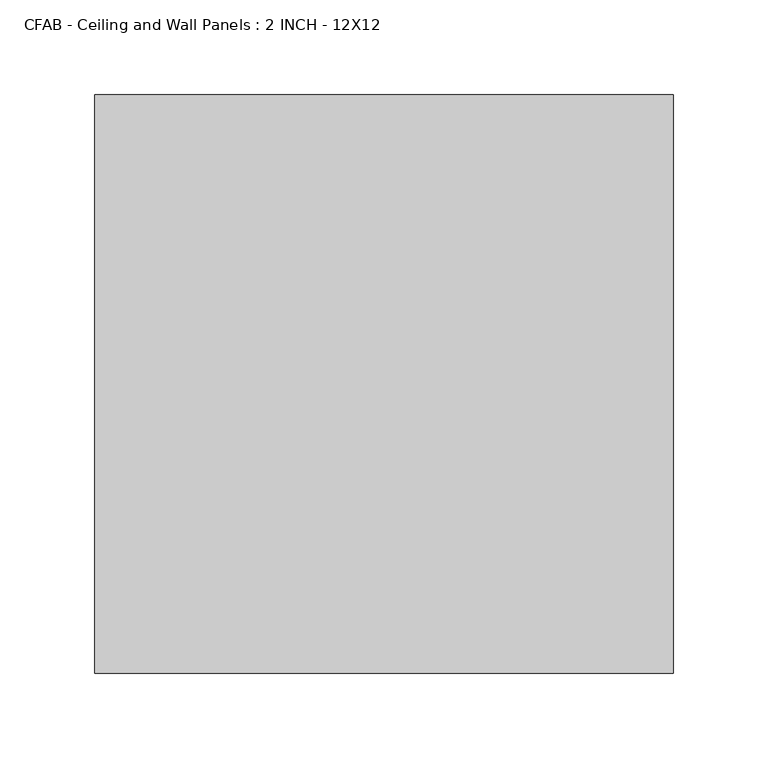
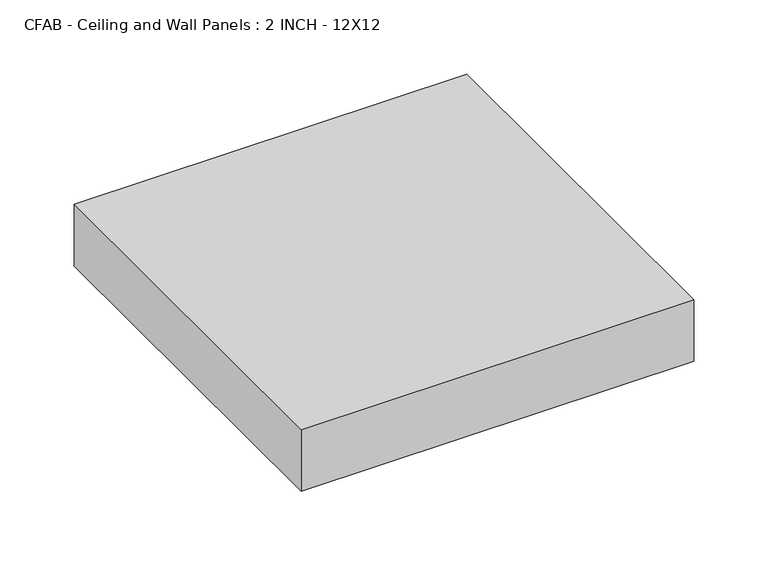
"""IFC4 building model written with IfcOpenShell, lengths in millimetres: proxy geometry, CFAB - Ceiling and Wall Panels : 2 INCH - 12X12."""

from ifc_helpers import new_model, si_unit, origin, origin_with_axes, place, context, project, spatial, polyline, outline, extrude, source, transform, mapped, element, save


def cfab_ceiling_and_wall_panels_2_inch_12x12_db413df7(model_context):
    return source(origin(), model_context, "Body", "SweptSolid", [
        extrude(outline(polyline([(-152.4, 152.4), (152.4, 152.4), (152.4, -152.4), (-152.4, -152.4), (-152.4, 152.4)])), origin_with_axes(), (0.0, 0.0, 1.0), 50.8),
    ])


if __name__ == "__main__":
    model = new_model("IFC4")
    model_context = context("Model", 3, world=origin())
    ifc_project = project(units=[si_unit("LENGTHUNIT", "METRE", prefix="MILLI")], contexts=[model_context])
    site = spatial("IfcSite", under=ifc_project)
    building = spatial("IfcBuilding", under=site)
    placement = place(None, origin())
    cfab_ceiling_and_wall_panels_2_inch_12x12_shape = cfab_ceiling_and_wall_panels_2_inch_12x12_db413df7(model_context)
    element("IfcBuildingElementProxy", 1, Name="CFAB - Ceiling and Wall Panels : 2 INCH - 12X12", ObjectType="CFAB - Ceiling and Wall Panels : 2 INCH - 12X12", at=placement, inside=building, context=model_context, shape_type="MappedRepresentation", body=[
        mapped(cfab_ceiling_and_wall_panels_2_inch_12x12_shape, transform((0.0, 0.0, 0.0), x_axis=(1.0, 0.0, 0.0), y_axis=(0.0, 1.0, 0.0), z_axis=(0.0, 0.0, 1.0))),
    ])
    save(model, "model.ifc")
